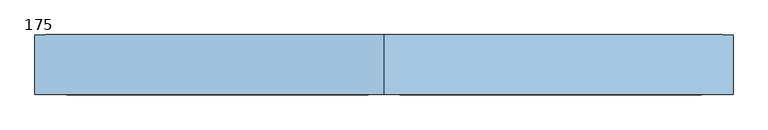
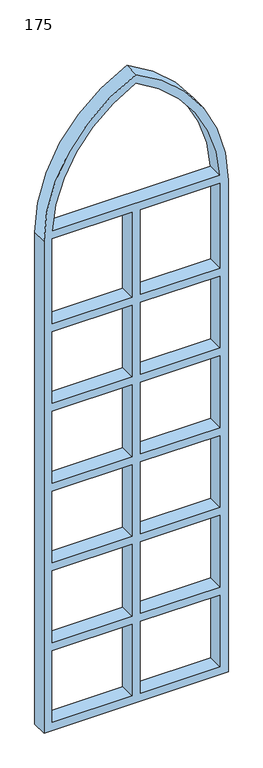
"""IFC4 building model written with IfcOpenShell, lengths in millimetres: window geometry, 175."""

from ifc_helpers import new_model, si_unit, point, frame, frame_2d, origin, place, context, project, spatial, polyline, circle_curve, trimmed, segment, composite_curve, outline, extrude, source, transform, mapped, element, save


def window_175_880c723e(model_context):
    return source(origin(), model_context, "Body", "SweptSolid", [
        extrude(outline(composite_curve([segment(trimmed(circle_curve(frame_2d((4935.1067518, 1039.4568414)), 1501.6252953), [point((6300.0, 413.4017732))], [point((4935.1067518, -462.1684538))], False, "CARTESIAN"), True, "CONTINUOUS"), segment(polyline([(4935.1067518, -462.1684538), (0.0, -462.1684538), (0.0, 1288.9720002), (800.0, 1288.9720002), (4935.1067518, 1288.9720002)]), True, "CONTINUOUS"), segment(trimmed(circle_curve(frame_2d((4935.1067518, -212.653295)), 1501.6252953), [point((4935.1067518, 1288.9720002))], [point((6300.0, 413.4017732))], False, "CARTESIAN"), True, "CONTINUOUS")], self_intersect=False), holes=[composite_curve([segment(trimmed(circle_curve(frame_2d((4935.1067518, -212.653295)), 1421.8165152), [point((6211.6713817, 413.4017732))], [point((5010.5625042, 1207.1595913))], True, "CARTESIAN"), True, "CONTINUOUS"), segment(polyline([(5010.5625042, 1207.1595913), (5010.5625042, -380.3560449)]), True, "CONTINUOUS"), segment(trimmed(circle_curve(frame_2d((4935.1067518, 1039.4568414)), 1421.8165152), [point((5010.5625042, -380.3560449))], [point((6211.6713817, 413.4017732))], True, "CARTESIAN"), True, "CONTINUOUS")], self_intersect=False), polyline([(80.0, 373.4017732), (80.0, -382.1684538), (800.0, -382.1684538), (800.0, 373.4017732), (80.0, 373.4017732)]), polyline([(800.0, 1208.9720002), (80.0, 1208.9720002), (80.0, 453.4017732), (800.0, 453.4017732), (800.0, 1208.9720002)]), polyline([(880.0, 373.4017732), (880.0, -382.1684538), (1600.0, -382.1684538), (1600.0, 373.4017732), (880.0, 373.4017732)]), polyline([(1600.0, 1208.9720002), (880.0, 1208.9720002), (880.0, 453.4017732), (1600.0, 453.4017732), (1600.0, 1208.9720002)]), polyline([(1680.0, 373.4017732), (1680.0, -382.1684538), (2400.0, -382.1684538), (2400.0, 373.4017732), (1680.0, 373.4017732)]), polyline([(2400.0, 1208.9720002), (1680.0, 1208.9720002), (1680.0, 453.4017732), (2400.0, 453.4017732), (2400.0, 1208.9720002)]), polyline([(2480.0, 373.4017732), (2480.0, -382.1684538), (3200.0, -382.1684538), (3200.0, 373.4017732), (2480.0, 373.4017732)]), polyline([(3200.0, 1208.9720002), (2480.0, 1208.9720002), (2480.0, 453.4017732), (3200.0, 453.4017732), (3200.0, 1208.9720002)]), polyline([(3280.0, 373.4017732), (3280.0, -382.1684538), (4000.0, -382.1684538), (4000.0, 373.4017732), (3280.0, 373.4017732)]), polyline([(4000.0, 1208.9720002), (3280.0, 1208.9720002), (3280.0, 453.4017732), (4000.0, 453.4017732), (4000.0, 1208.9720002)]), polyline([(4080.0, 373.4017732), (4080.0, -382.1684538), (4930.5625042, -382.1684538), (4930.5625042, 373.4017732), (4080.0, 373.4017732)]), polyline([(4930.5625042, 1208.9720002), (4080.0, 1208.9720002), (4080.0, 453.4017732), (4930.5625042, 453.4017732), (4930.5625042, 1208.9720002)])]), frame((0.0, -350.0, 0.0), z_axis=(0.0, 1.0, 0.0), x_axis=(0.0, 0.0, 1.0)), (0.0, 0.0, 1.0), 150.0),
    ])


if __name__ == "__main__":
    model = new_model("IFC4")
    model_context = context("Model", 3, world=origin())
    ifc_project = project(units=[si_unit("LENGTHUNIT", "METRE", prefix="MILLI")], contexts=[model_context])
    site = spatial("IfcSite", under=ifc_project)
    building = spatial("IfcBuilding", under=site)
    placement = place(None, origin())
    window_175_shape = window_175_880c723e(model_context)
    element("IfcWindow", 1, ObjectType="175", at=placement, inside=building, context=model_context, shape_type="MappedRepresentation", body=[
        mapped(window_175_shape, transform((0.0, 0.0, 0.0), x_axis=(1.0, 0.0, 0.0), y_axis=(0.0, 1.0, 0.0), z_axis=(0.0, 0.0, 1.0))),
    ])
    save(model, "model.ifc")
